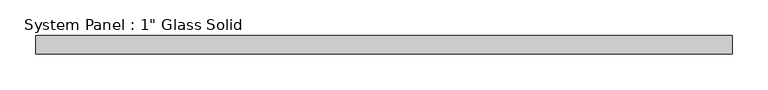
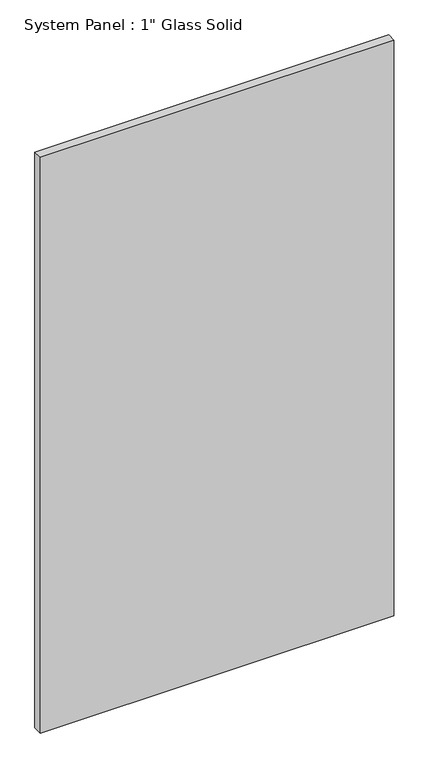
"""IFC4 building model written with IfcOpenShell, lengths in millimetres: plate geometry."""

from ifc_helpers import new_model, si_unit, origin, origin_with_axes, place, context, project, spatial, polyline, outline, extrude, source, transform, mapped, element, save


def plate_f90072b4(model_context):
    return source(origin(), model_context, "Body", "SweptSolid", [
        extrude(outline(polyline([(484.1875, -12.7), (-484.1875, -12.7), (-484.1875, 12.7), (484.1875, 12.7), (484.1875, -12.7)])), origin_with_axes(), (0.0, 0.0, 1.0), 1666.875),
    ])


if __name__ == "__main__":
    model = new_model("IFC4")
    model_context = context("Model", 3, world=origin())
    ifc_project = project(units=[si_unit("LENGTHUNIT", "METRE", prefix="MILLI")], contexts=[model_context])
    site = spatial("IfcSite", under=ifc_project)
    building = spatial("IfcBuilding", under=site)
    placement = place(None, origin())
    plate_shape = plate_f90072b4(model_context)
    element("IfcPlate", 1, ObjectType="System Panel : 1\" Glass Solid", at=placement, inside=building, context=model_context, shape_type="MappedRepresentation", body=[
        mapped(plate_shape, transform((0.0, 0.0, 0.0), x_axis=(1.0, 0.0, 0.0), y_axis=(0.0, 1.0, 0.0), z_axis=(0.0, 0.0, 1.0))),
    ])
    save(model, "model.ifc")
